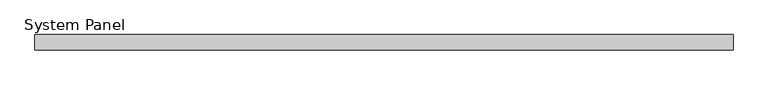
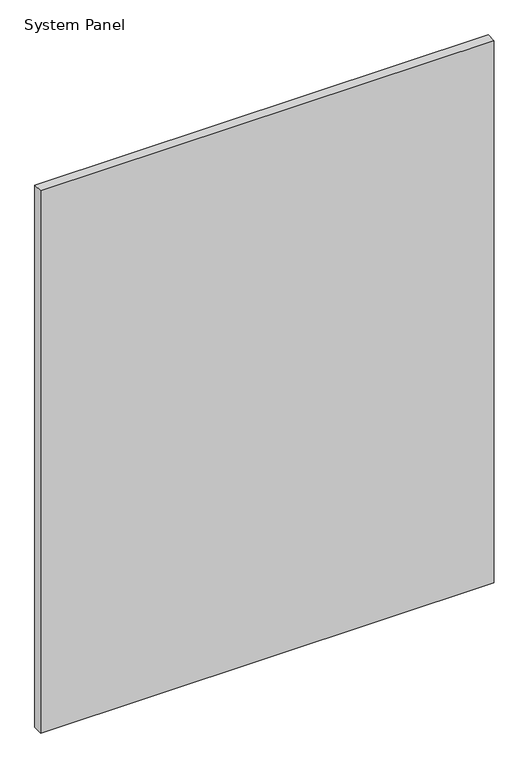
"""IFC4 building model written with IfcOpenShell, lengths in millimetres: plate geometry, System Panel."""

from ifc_helpers import new_model, si_unit, origin, origin_with_axes, place, context, project, spatial, polyline, outline, extrude, source, transform, mapped, element, save


def system_panel_144f63ee(model_context):
    return source(origin(), model_context, "Body", "SweptSolid", [
        extrude(outline(polyline([(576.2644862, -0.85), (-576.2644862, -0.85), (-576.2644862, 24.45), (576.2644862, 24.45), (576.2644862, -0.85)])), origin_with_axes(), (0.0, 0.0, 1.0), 1455.7969039),
    ])


if __name__ == "__main__":
    model = new_model("IFC4")
    model_context = context("Model", 3, world=origin())
    ifc_project = project(units=[si_unit("LENGTHUNIT", "METRE", prefix="MILLI")], contexts=[model_context])
    site = spatial("IfcSite", under=ifc_project)
    building = spatial("IfcBuilding", under=site)
    placement = place(None, origin())
    system_panel_shape = system_panel_144f63ee(model_context)
    element("IfcPlate", 1, ObjectType="System Panel", at=placement, inside=building, context=model_context, shape_type="MappedRepresentation", body=[
        mapped(system_panel_shape, transform((0.0, 0.0, 0.0), x_axis=(1.0, 0.0, 0.0), y_axis=(0.0, 1.0, 0.0), z_axis=(0.0, 0.0, 1.0))),
    ])
    save(model, "model.ifc")
